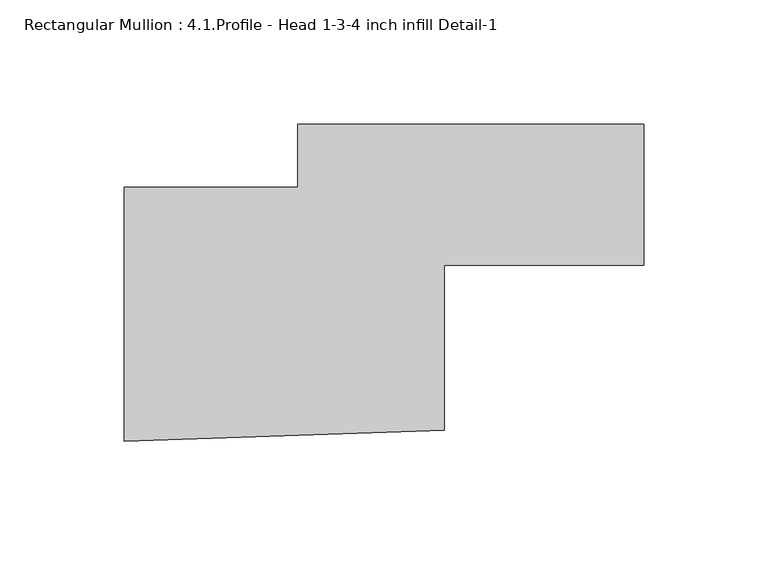
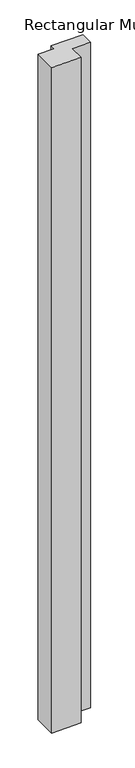
"""IFC4 building model written with IfcOpenShell, lengths in millimetres: member geometry, Rectangular Mullion : 4.1.Profile - Head 1-3-4 inch infill Detail-1."""

from ifc_helpers import new_model, si_unit, frame, origin, place, context, project, spatial, polyline, outline, extrude, source, transform, mapped, element, save


def rectangular_mullion_4_1_profile_head_1_3_4_inch_infill_a0e1908b(model_context):
    return source(origin(), model_context, "Body", "SweptSolid", [
        extrude(outline(polyline([(-139.1621901, 38.345067), (-139.1621901, 63.7449538), (0.0, 63.7449538), (0.0, 7.0183223), (-80.3572659, 7.0183223), (-80.3572659, -59.3651705), (-209.00826, -63.8577625), (-209.00826, 38.345067), (-139.1621901, 38.345067)])), frame((0.0, 0.0, -3048.0), z_axis=(0.0, 0.0, 1.0), x_axis=(1.0, 0.0, 0.0)), (0.0, 0.0, 1.0), 3048.0),
    ])


if __name__ == "__main__":
    model = new_model("IFC4")
    model_context = context("Model", 3, world=origin())
    ifc_project = project(units=[si_unit("LENGTHUNIT", "METRE", prefix="MILLI")], contexts=[model_context])
    site = spatial("IfcSite", under=ifc_project)
    building = spatial("IfcBuilding", under=site)
    placement = place(None, origin())
    rectangular_mullion_4_1_profile_head_1_3_4_inch_infill_shape = rectangular_mullion_4_1_profile_head_1_3_4_inch_infill_a0e1908b(model_context)
    element("IfcMember", 1, ObjectType="Rectangular Mullion : 4.1.Profile - Head 1-3-4 inch infill Detail-1", at=placement, inside=building, context=model_context, shape_type="MappedRepresentation", body=[
        mapped(rectangular_mullion_4_1_profile_head_1_3_4_inch_infill_shape, transform((0.0, 0.0, 0.0), x_axis=(1.0, 0.0, 0.0), y_axis=(0.0, 1.0, 0.0), z_axis=(0.0, 0.0, 1.0))),
    ])
    save(model, "model.ifc")
